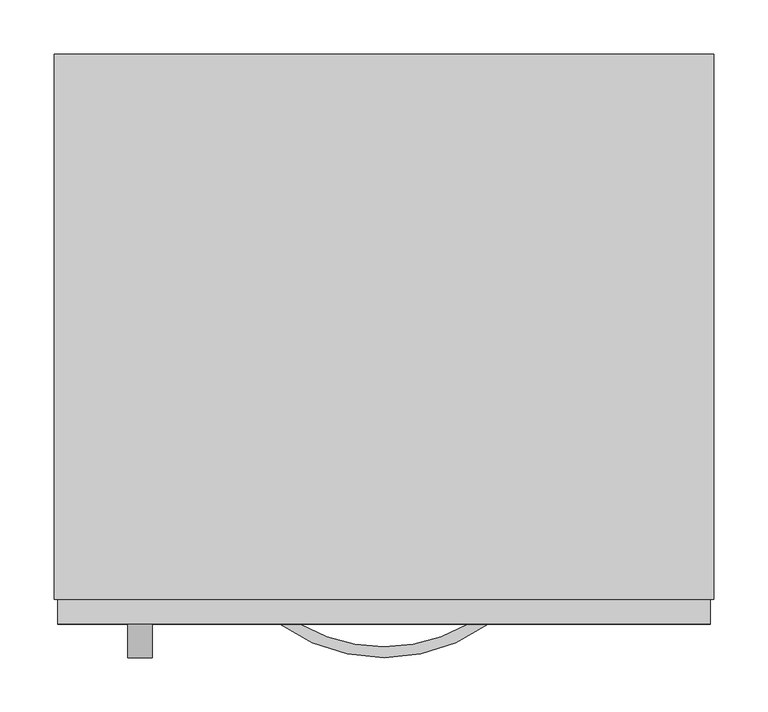
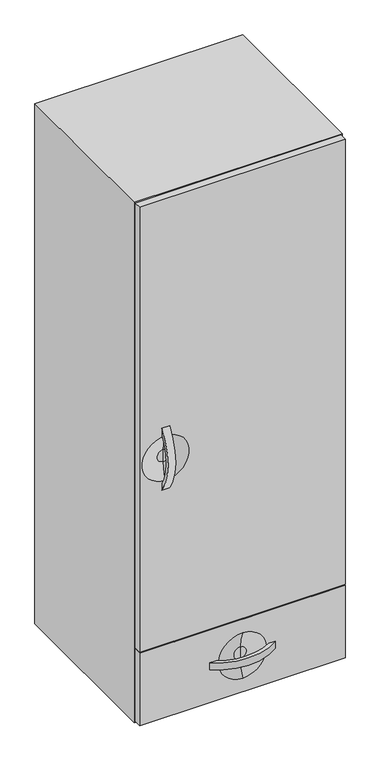
"""IFC4 building model written with IfcOpenShell, lengths in millimetres: furniture geometry."""

from ifc_helpers import new_model, si_unit, point, frame, frame_2d, origin, place, context, project, spatial, polyline, circle_curve, ellipse_curve, trimmed, segment, composite_curve, outline, extrude, source, transform, mapped, element, save
from ifc_brep_helpers import plane_surface, revolved_surface, advanced_brep


def furniture_af1eefa9(model_context):
    return source(origin(), model_context, "Body", "SolidModel", [
        extrude(outline(composite_curve([segment(trimmed(circle_curve(frame_2d((-393.8715705, 1312.8960115)), 164.0076795), [point((-526.923, 1217.0010896))], [point((-526.923, 1408.7909333))], False, "CARTESIAN"), True, "CONTINUOUS"), segment(polyline([(-526.923, 1408.7909333), (-526.923, 1390.1310792)]), True, "CONTINUOUS"), segment(trimmed(circle_curve(frame_2d((-395.6756017, 1312.8976127)), 152.2855473), [point((-526.923, 1390.1310792))], [point((-526.923, 1235.6641461))], True, "CARTESIAN"), True, "CONTINUOUS"), segment(polyline([(-526.923, 1235.6641461), (-526.923, 1217.0010896)]), True, "CONTINUOUS")], self_intersect=False)), frame((-217.7997951, 0.0, 0.0), z_axis=(1.0, 0.0, 0.0), x_axis=(0.0, 1.0, 0.0)), (0.0, 0.0, 1.0), 22.225),
        extrude(outline(composite_curve([segment(trimmed(circle_curve(frame_2d((18.7377049, -393.8715705)), 164.0076795), [point((114.6326268, -526.923))], [point((-77.157217, -526.923))], False, "CARTESIAN"), True, "CONTINUOUS"), segment(polyline([(-77.157217, -526.923), (-58.4973628, -526.923)]), True, "CONTINUOUS"), segment(trimmed(circle_curve(frame_2d((18.7361037, -395.6756017)), 152.2855473), [point((-58.4973628, -526.923))], [point((95.9695702, -526.923))], True, "CARTESIAN"), True, "CONTINUOUS"), segment(polyline([(95.9695702, -526.923), (114.6326268, -526.923)]), True, "CONTINUOUS")], self_intersect=False)), frame((0.0, 0.0, 610.6232728), z_axis=(0.0, 0.0, 1.0), x_axis=(1.0, 0.0, 0.0)), (0.0, 0.0, 1.0), 22.225),
        advanced_brep(
        [(-282.8872951, -504.2019062, 733.5775588), (-282.8872951, -526.923, 733.5775588), (320.3627049, -526.923, 733.5775588), (320.3627049, -504.2019062, 733.5775588), (-282.8872951, -504.2019062, 509.6867187), (320.3627049, -504.2019062, 509.6867187), (320.3627049, -526.923, 509.6867187), (-282.8872951, -526.923, 509.6867187), (18.7377049, -526.923, 551.6290682), (18.7377049, -526.923, 691.8424774), (18.7377049, -514.2733482, 602.6879892), (18.7377049, -514.2733482, 640.7835564), (18.7377049, -514.2733482, 621.7357728)],
        [
            (0, 1),
            (1, 2),
            (2, 3),
            (3, 0),
            (4, 5),
            (5, 6),
            (6, 7),
            (7, 4),
            (0, 4),
            (7, 1),
            (6, 2),
            (8, 9, circle_curve(frame((18.7377049, -526.923, 621.7357728), z_axis=(0.0, 1.0, 0.0), x_axis=(0.0, 0.0, 1.0)), 70.1067046)),
            (9, 8, circle_curve(frame((18.7377049, -526.923, 621.7357728), z_axis=(0.0, 1.0, 0.0), x_axis=(0.0, 0.0, 1.0)), 70.1067046)),
            (5, 3),
            (8, 10, circle_curve(frame((18.7377049, -649.5161093, 609.0974526), z_axis=(1.0, 0.0, 0.0), x_axis=(0.0, 1.0, 0.0)), 135.3945555)),
            (10, 11, circle_curve(frame((18.7377049, -514.2733482, 621.7357728), z_axis=(0.0, 1.0, 0.0), x_axis=(0.0, 0.0, 1.0)), 19.0477836)),
            (11, 9, circle_curve(frame((18.7377049, -649.5161093, 634.374093), z_axis=(1.0, 0.0, 0.0), x_axis=(0.0, 1.0, 0.0)), 135.3945555)),
            (11, 10, circle_curve(frame((18.7377049, -514.2733482, 621.7357728), z_axis=(0.0, 1.0, 0.0), x_axis=(0.0, 0.0, 1.0)), 19.0477836)),
            (10, 12),
            (12, 11),
        ],
        [
            plane_surface(frame((-282.8872951, -526.923, 733.5775588), z_axis=(0.0, 0.0, 1.0), x_axis=(0.0, -1.0, 0.0))),
            plane_surface(frame((-282.8872951, -526.923, 509.6867187), z_axis=(0.0, 0.0, -1.0), x_axis=(0.0, 1.0, 0.0))),
            plane_surface(frame((-282.8872951, -504.2019062, 733.5775588), z_axis=(-1.0, 0.0, 0.0), x_axis=(0.0, 0.0, -1.0))),
            plane_surface(frame((-282.8872951, -526.923, 733.5775588), z_axis=(0.0, -1.0, 0.0), x_axis=(0.0, 0.0, -1.0))),
            plane_surface(frame((320.3627049, -526.923, 733.5775588), z_axis=(1.0, 0.0, 0.0), x_axis=(0.0, 0.0, -1.0))),
            plane_surface(frame((320.3627049, -504.2019062, 733.5775588), z_axis=(0.0, 1.0, 0.0), x_axis=(0.0, 0.0, -1.0))),
            revolved_surface(trimmed(ellipse_curve(frame((18.7377049, -649.5161093, 634.374093), z_axis=(-1.0, 0.0, 0.0), x_axis=(0.0, 1.0, 0.0)), 135.3945555, 135.3945555), [point((18.7377049, -526.923, 691.8424774))], [point((18.7377049, -514.2733482, 640.7835564))], True, "CARTESIAN"), (18.7377049, -514.2733482, 621.7357728), (0.0, -1.0, 0.0)),
            plane_surface(frame((18.7377049, -514.2733482, 621.7357728), z_axis=(0.0, -1.0, 0.0), x_axis=(0.0, 0.0, 1.0))),
        ],
        [
            (0, [[1, 2, 3, 4]]),
            (1, [[5, 6, 7, 8]]),
            (2, [[-1, 9, -8, 10]]),
            (3, [[-2, -10, -7, 11], [12, 13]]),
            (4, [[-3, -11, -6, 14]]),
            (5, [[-4, -14, -5, -9]]),
            (6, [[15, 16, 17, -12]]),
            (6, [[-15, -13, -17, 18]]),
            (7, [[-16, 19, 20]]),
            (7, [[-18, -20, -19]]),
        ],
    ),
        advanced_brep(
        [(-282.8872951, -504.2019062, 2116.1375), (-282.8872951, -526.923, 2116.1375), (320.3627049, -526.923, 2116.1375), (320.3627049, -504.2019062, 2116.1375), (-282.8872951, -504.2019062, 736.7984375), (320.3627049, -504.2019062, 736.7984375), (320.3627049, -526.923, 736.7984375), (-282.8872951, -526.923, 736.7984375), (-206.6872951, -526.923, 1381.4731846), (-206.6872951, -526.923, 1244.3188383), (-206.6872951, -514.2733482, 1293.8482279), (-206.6872951, -514.2733482, 1331.943795), (-206.6872951, -514.2733482, 1312.8960115)],
        [
            (0, 1),
            (1, 2),
            (2, 3),
            (3, 0),
            (4, 5),
            (5, 6),
            (6, 7),
            (7, 4),
            (0, 4),
            (7, 1),
            (6, 2),
            (8, 9, circle_curve(frame((-206.6872951, -526.923, 1312.8960115), z_axis=(0.0, 1.0, 0.0), x_axis=(0.0, 0.0, 1.0)), 68.5771731)),
            (9, 8, circle_curve(frame((-206.6872951, -526.923, 1312.8960115), z_axis=(0.0, 1.0, 0.0), x_axis=(0.0, 0.0, 1.0)), 68.5771731)),
            (5, 3),
            (10, 9, circle_curve(frame((-206.6872951, -635.0504866, 1298.3142972), z_axis=(-1.0, 0.0, 0.0), x_axis=(0.0, -1.0, 0.0)), 120.8596829)),
            (8, 11, circle_curve(frame((-206.6872951, -635.0504866, 1327.4777257), z_axis=(-1.0, 0.0, 0.0), x_axis=(0.0, -1.0, 0.0)), 120.8596829)),
            (11, 10, circle_curve(frame((-206.6872951, -514.2733482, 1312.8960115), z_axis=(0.0, 1.0, 0.0), x_axis=(0.0, 0.0, 1.0)), 19.0477836)),
            (10, 11, circle_curve(frame((-206.6872951, -514.2733482, 1312.8960115), z_axis=(0.0, 1.0, 0.0), x_axis=(0.0, 0.0, 1.0)), 19.0477836)),
            (11, 12),
            (12, 10),
        ],
        [
            plane_surface(frame((-282.8872951, -526.923, 2116.1375), z_axis=(0.0, 0.0, 1.0), x_axis=(0.0, -1.0, 0.0))),
            plane_surface(frame((-282.8872951, -526.923, 736.7984375), z_axis=(0.0, 0.0, -1.0), x_axis=(0.0, 1.0, 0.0))),
            plane_surface(frame((-282.8872951, -504.2019062, 2116.1375), z_axis=(-1.0, 0.0, 0.0), x_axis=(0.0, 0.0, -1.0))),
            plane_surface(frame((-282.8872951, -526.923, 2116.1375), z_axis=(0.0, -1.0, 0.0), x_axis=(0.0, 0.0, -1.0))),
            plane_surface(frame((320.3627049, -526.923, 2116.1375), z_axis=(1.0, 0.0, 0.0), x_axis=(0.0, 0.0, -1.0))),
            plane_surface(frame((320.3627049, -504.2019062, 2116.1375), z_axis=(0.0, 1.0, 0.0), x_axis=(0.0, 0.0, -1.0))),
            revolved_surface(trimmed(ellipse_curve(frame((-206.6872951, -635.0504866, 1327.4777257), z_axis=(1.0, 0.0, 0.0), x_axis=(0.0, -1.0, 0.0)), 120.8596829, 120.8596829), [point((-206.6872951, -514.2733482, 1331.943795))], [point((-206.6872951, -526.923, 1381.4731846))], True, "CARTESIAN"), (-206.6872951, -514.2733482, 1312.8960115), (0.0, 1.0, 0.0)),
            plane_surface(frame((-206.6872951, -514.2733482, 1312.8960115), z_axis=(0.0, -1.0, 0.0), x_axis=(0.0, 0.0, 1.0))),
        ],
        [
            (0, [[1, 2, 3, 4]]),
            (1, [[5, 6, 7, 8]]),
            (2, [[-1, 9, -8, 10]]),
            (3, [[-2, -10, -7, 11], [12, 13]]),
            (4, [[-3, -11, -6, 14]]),
            (5, [[-4, -14, -5, -9]]),
            (6, [[15, -12, 16, 17]]),
            (6, [[-15, 18, -16, -13]]),
            (7, [[-17, 19, 20]]),
            (7, [[-18, -20, -19]]),
        ],
    ),
        extrude(outline(polyline([(-286.0622951, 0.0), (323.5377049, 0.0), (323.5377049, -504.2019062), (-286.0622951, -504.2019062), (-286.0622951, 0.0)])), frame((0.0, 0.0, 506.5117187), z_axis=(0.0, 0.0, 1.0), x_axis=(1.0, 0.0, 0.0)), (0.0, 0.0, 1.0), 1612.8007813),
    ])


if __name__ == "__main__":
    model = new_model("IFC4")
    model_context = context("Model", 3, world=origin())
    ifc_project = project(units=[si_unit("LENGTHUNIT", "METRE", prefix="MILLI")], contexts=[model_context])
    site = spatial("IfcSite", under=ifc_project)
    building = spatial("IfcBuilding", under=site)
    placement = place(None, origin())
    furniture_shape = furniture_af1eefa9(model_context)
    element("IfcFurniture", 1, at=placement, inside=building, context=model_context, shape_type="MappedRepresentation", body=[
        mapped(furniture_shape, transform((0.0, 0.0, 0.0), x_axis=(1.0, 0.0, 0.0), y_axis=(0.0, 1.0, 0.0), z_axis=(0.0, 0.0, 1.0))),
    ])
    save(model, "model.ifc")
